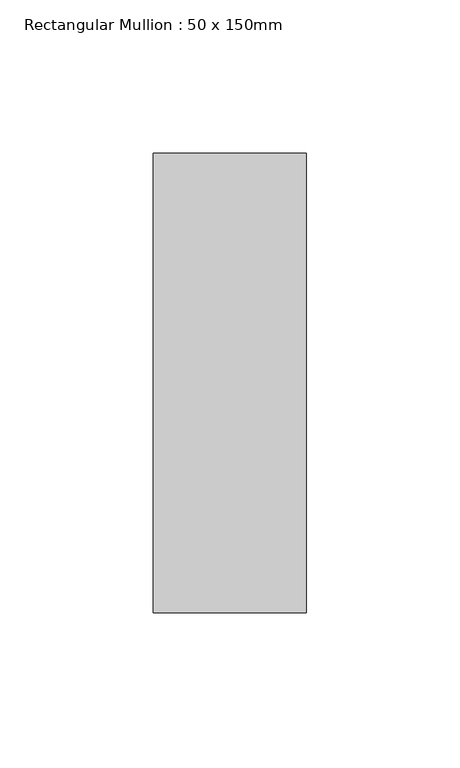
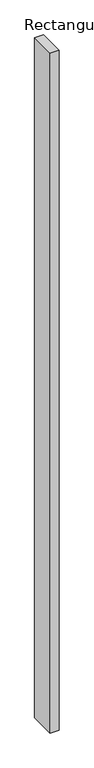
"""IFC4 building model written with IfcOpenShell, lengths in millimetres: member geometry, Rectangular Mullion : 50 x 150mm."""

from ifc_helpers import new_model, si_unit, frame, origin, place, context, project, spatial, polyline, outline, extrude, source, transform, mapped, element, save


def rectangular_mullion_50_x_150mm_1b9437d6(model_context):
    return source(origin(), model_context, "Body", "SweptSolid", [
        extrude(outline(polyline([(25.0, 75.0), (25.0, -75.0), (-25.0, -75.0), (-25.0, 75.0), (25.0, 75.0)])), frame((0.0, 0.0, -4000.0), z_axis=(0.0, 0.0, 1.0), x_axis=(1.0, 0.0, 0.0)), (0.0, 0.0, 1.0), 4000.0),
    ])


if __name__ == "__main__":
    model = new_model("IFC4")
    model_context = context("Model", 3, world=origin())
    ifc_project = project(units=[si_unit("LENGTHUNIT", "METRE", prefix="MILLI")], contexts=[model_context])
    site = spatial("IfcSite", under=ifc_project)
    building = spatial("IfcBuilding", under=site)
    placement = place(None, origin())
    rectangular_mullion_50_x_150mm_shape = rectangular_mullion_50_x_150mm_1b9437d6(model_context)
    element("IfcMember", 1, ObjectType="Rectangular Mullion : 50 x 150mm", at=placement, inside=building, context=model_context, shape_type="MappedRepresentation", body=[
        mapped(rectangular_mullion_50_x_150mm_shape, transform((0.0, 0.0, 0.0), x_axis=(1.0, 0.0, 0.0), y_axis=(0.0, 1.0, 0.0), z_axis=(0.0, 0.0, 1.0))),
    ])
    save(model, "model.ifc")
